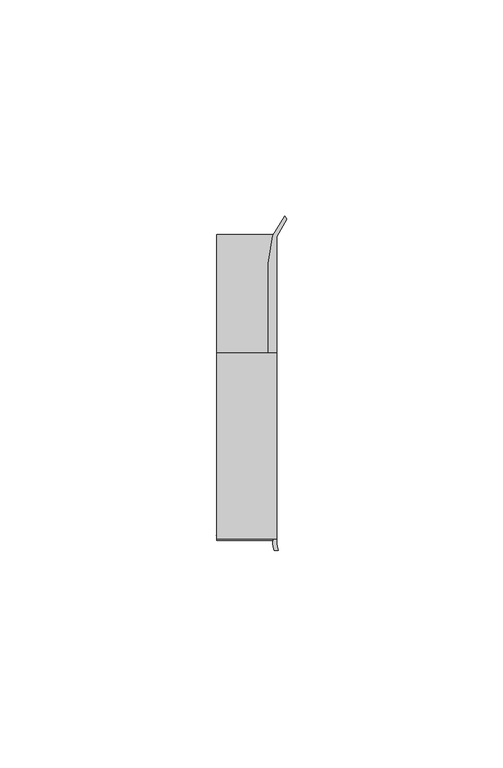
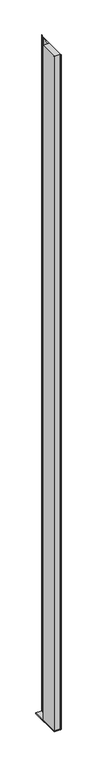
"""IFC4 building model written with IfcOpenShell, lengths in millimetres: furniture geometry."""

from ifc_helpers import new_model, si_unit, point, frame, frame_2d, origin, place, context, project, spatial, polyline, circle_curve, trimmed, segment, composite_curve, outline, extrude, source, transform, mapped, element, save


def furniture_effc1681(model_context):
    return source(origin(), model_context, "Body", "SweptSolid", [
        extrude(outline(polyline([(31.9660873, 18.9594777), (31.9660873, -24.0995273), (18.0754623, -24.0995273), (18.0754623, 18.9594777), (31.9660873, 18.9594777)])), frame((0.0, 0.0, 510.0293624), z_axis=(0.0, 0.0, 1.0), x_axis=(1.0, 0.0, 0.0)), (0.0, 0.0, 1.0), 1614.0456376),
        extrude(outline(polyline([(18.0754623, -24.0995273), (18.0754623, 46.6824219), (31.9660873, 46.6824219), (31.9660873, -24.0995273), (18.0754623, -24.0995273)])), frame((0.0, 0.0, 507.49708), z_axis=(0.0, 0.0, 1.0), x_axis=(1.0, 0.0, 0.0)), (0.0, 0.0, 1.0), 2.5322824),
        extrude(outline(composite_curve([segment(polyline([(33.8779838, 50.6802202), (34.2963358, 49.8958113), (31.9660873, 45.8886719), (31.9660873, -25.0252959)]), True, "CONTINUOUS"), segment(trimmed(circle_curve(frame_2d((36.5370848, -24.9306779)), 4.5719767), [point((31.9660873, -25.0252959))], [point((32.3362111, -26.7350146))], True, "CARTESIAN"), True, "CONTINUOUS"), segment(polyline([(32.3362111, -26.7350146), (31.3598061, -26.7312177)]), True, "CONTINUOUS"), segment(trimmed(circle_curve(frame_2d((38.1067431, -24.7767162)), 7.0243316), [point((31.3598061, -26.7312177))], [point((31.0897622, -25.0979846))], False, "CARTESIAN"), True, "CONTINUOUS"), segment(polyline([(31.0897622, -25.0979846), (31.204088, -24.0995273), (18.7580885, -24.0995273), (17.9586029, -23.2998418), (31.2224462, -23.2998418), (31.2224462, 18.9594777), (29.9783377, 18.9594777), (29.9783377, 39.6814262), (31.1100649, 46.0995711), (33.8779838, 50.6802202)]), True, "CONTINUOUS")], self_intersect=False)), frame((0.0, 0.0, 510.0293624), z_axis=(0.0, 0.0, 1.0), x_axis=(1.0, 0.0, 0.0)), (0.0, 0.0, 1.0), 1614.0456376),
    ])


if __name__ == "__main__":
    model = new_model("IFC4")
    model_context = context("Model", 3, world=origin())
    ifc_project = project(units=[si_unit("LENGTHUNIT", "METRE", prefix="MILLI")], contexts=[model_context])
    site = spatial("IfcSite", under=ifc_project)
    building = spatial("IfcBuilding", under=site)
    placement = place(None, origin())
    furniture_shape = furniture_effc1681(model_context)
    element("IfcFurniture", 1, at=placement, inside=building, context=model_context, shape_type="MappedRepresentation", body=[
        mapped(furniture_shape, transform((0.0, 0.0, 0.0), x_axis=(1.0, 0.0, 0.0), y_axis=(0.0, 1.0, 0.0), z_axis=(0.0, 0.0, 1.0))),
    ])
    save(model, "model.ifc")
